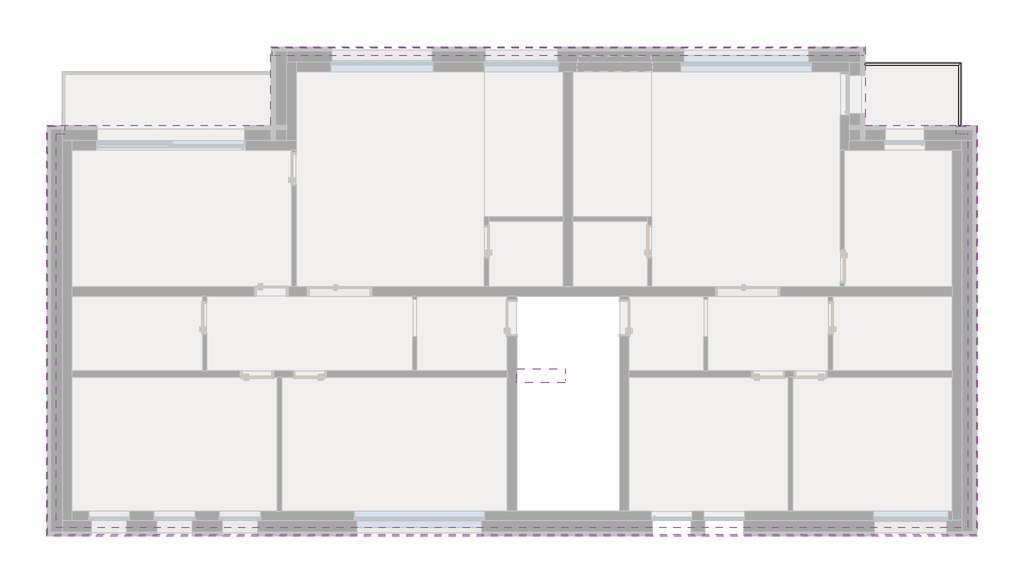
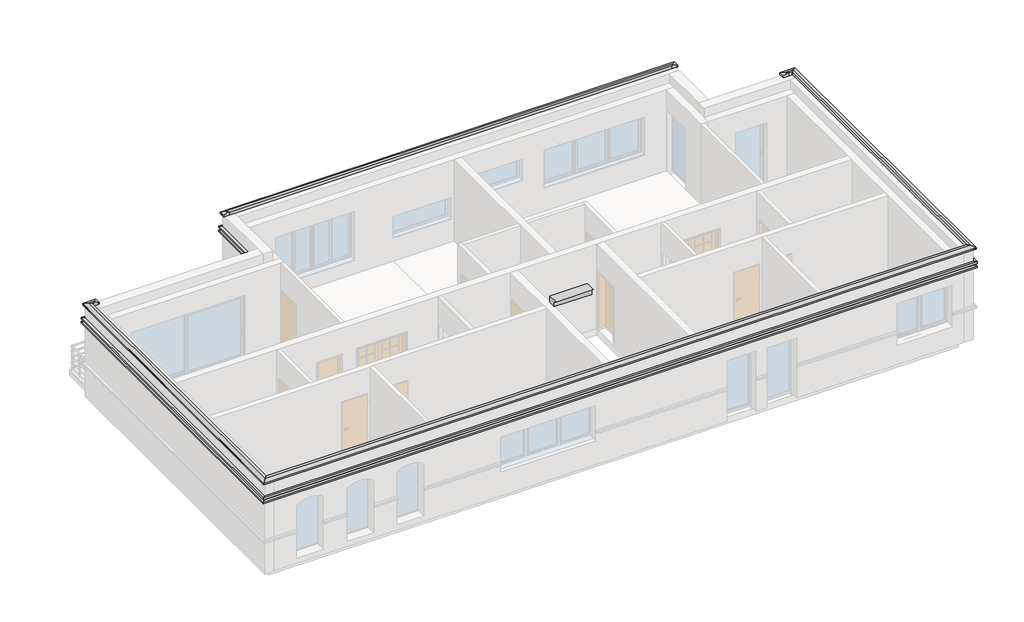
# One storey, part 4 of 4: 4 proxies, 1 railing, 1 stair.
"""IFC4 building model written with IfcOpenShell, lengths in millimetres."""

import ifcopenshell
import ifcopenshell.guid

model = None  # the IFC model being written
_history = None  # IfcOwnerHistory: only IFC2X3 demands one
_inside = {}  # id of a spatial element -> (the spatial element, [elements in it])
_under = {}  # id of a project, library or spatial element -> (it, [spatial elements below it])
_declared = {}  # id of a project -> (the project, [libraries it declares])
_typed = {}  # id of a type object -> (the type object, [elements of that type])
_made_of = {}  # id of a material, layer set ... -> (it, [elements and type objects made of it])


def new_model(schema):
    """Start an empty IFC model of exactly this schema.

    Asked for "IFC4X3", IfcOpenShell would pick the latest addendum, in which some entities
    have other attributes; the version numbers below select the first issue.
    IFC2X3 requires an IfcOwnerHistory on every rooted entity: one is made here for all.
    """
    global model, _history
    if schema == "IFC4X3":
        model = ifcopenshell.file(schema_version=(4, 3, 0, 0))
    else:
        model = ifcopenshell.file(schema=schema)
    _inside.clear()
    _under.clear()
    _declared.clear()
    _typed.clear()
    _made_of.clear()
    _history = None
    if model.schema == "IFC2X3":
        org = make("IfcOrganization", Name="unknown")
        user = make(
            "IfcPersonAndOrganization",
            ThePerson=make("IfcPerson", FamilyName="unknown"),
            TheOrganization=org,
        )
        app = make(
            "IfcApplication",
            ApplicationDeveloper=org,
            Version="unknown",
            ApplicationFullName="unknown",
            ApplicationIdentifier="unknown",
        )
        _history = make(
            "IfcOwnerHistory",
            OwningUser=user,
            OwningApplication=app,
            ChangeAction="ADDED",
            CreationDate=0,
        )
    return model


def make(cls, **values):
    """One entity of the class cls with the attributes given. An attribute that is None is left unset."""
    return model.create_entity(
        cls, **{name: value for name, value in values.items() if value is not None}
    )


def rooted(cls, **values):
    """An entity with a GlobalId (a new one), such as an element, a storey or a relation."""
    return make(cls, GlobalId=ifcopenshell.guid.new(), OwnerHistory=_history, **values)


def si_unit(unit_type, name, prefix=None):
    """IfcSIUnit, for example si_unit("LENGTHUNIT", "METRE", prefix="MILLI")."""
    return make("IfcSIUnit", UnitType=unit_type, Prefix=prefix, Name=name)


def assignment(units):
    """IfcUnitAssignment: the units of a project."""
    return None if units is None else make("IfcUnitAssignment", Units=units)


def point(xyz):
    """IfcCartesianPoint."""
    return None if xyz is None else make("IfcCartesianPoint", Coordinates=xyz)


def direction(xyz):
    """IfcDirection."""
    return None if xyz is None else make("IfcDirection", DirectionRatios=xyz)


def frame(location, z_axis=None, x_axis=None):
    """IfcAxis2Placement3D, a coordinate frame: its origin and axes. An axis left out is left unset."""
    return make(
        "IfcAxis2Placement3D",
        Location=point(location),
        Axis=direction(z_axis),
        RefDirection=direction(x_axis),
    )


def origin():
    """The frame at (0, 0, 0) with its axes left unset."""
    return frame((0.0, 0.0, 0.0))


def place(relative_to, where):
    """IfcLocalPlacement: puts the frame where relative to a parent placement (None: the world)."""
    return make(
        "IfcLocalPlacement", PlacementRelTo=relative_to, RelativePlacement=where
    )


def context(
    kind, dimensions, precision=None, world=None, true_north=None, identifier=None
):
    """IfcGeometricRepresentationContext, for example the 3D "Model" context."""
    return make(
        "IfcGeometricRepresentationContext",
        ContextIdentifier=identifier,
        ContextType=kind,
        CoordinateSpaceDimension=dimensions,
        Precision=precision,
        WorldCoordinateSystem=world,
        TrueNorth=true_north,
    )


def project(units=None, contexts=None):
    """IfcProject with its units and contexts."""
    return rooted(
        "IfcProject",
        Name="project",
        RepresentationContexts=contexts,
        UnitsInContext=assignment(units),
    )


def spatial(cls, under=None, at=None, **own):
    """A site, building, storey or space (cls), placed at a placement, below another one or the project."""
    s = rooted(cls, ObjectPlacement=at, **own)
    if under is not None:
        _under.setdefault(under.id(), (under, []))[1].append(s)
    return s


def polyline(points):
    """IfcPolyline through the points."""
    return make("IfcPolyline", Points=[point(p) for p in points])


def circle_curve(where, radius):
    """IfcCircle in the frame where."""
    return make("IfcCircle", Position=where, Radius=radius)


def ellipse_curve(where, semi_axis1, semi_axis2):
    """IfcEllipse in the frame where."""
    return make(
        "IfcEllipse", Position=where, SemiAxis1=semi_axis1, SemiAxis2=semi_axis2
    )


def outline(outer, holes=None, kind="AREA"):
    """IfcArbitraryClosedProfileDef: a profile drawn as a closed curve; with holes, ...WithVoids."""
    if holes is None:
        return make("IfcArbitraryClosedProfileDef", ProfileType=kind, OuterCurve=outer)
    return make(
        "IfcArbitraryProfileDefWithVoids",
        ProfileType=kind,
        OuterCurve=outer,
        InnerCurves=holes,
    )


def extrude(swept, where, along, depth):
    """IfcExtrudedAreaSolid: the profile swept, set in the frame where, extruded along a direction by depth."""
    return make(
        "IfcExtrudedAreaSolid",
        SweptArea=swept,
        Position=where,
        ExtrudedDirection=direction(along),
        Depth=depth,
    )


def faces_of(points, faces, orient=None, outer=None):
    """IfcFace entities. A face is a list of loops; a loop is a list of indices into points, from 0.

    orient and outer hold one flag for each loop. By default every Orientation is true, the
    first loop of a face is its IfcFaceOuterBound and the others are IfcFaceBound.
    """
    made = []
    for i, loops in enumerate(faces):
        bounds = []
        for j, loop in enumerate(loops):
            is_outer = j == 0 if outer is None else outer[i][j]
            bounds.append(
                make(
                    "IfcFaceOuterBound" if is_outer else "IfcFaceBound",
                    Bound=make("IfcPolyLoop", Polygon=[points[k] for k in loop]),
                    Orientation=True if orient is None else orient[i][j],
                )
            )
        made.append(make("IfcFace", Bounds=bounds))
    return made


def faceted_brep(points, faces, orient=None, outer=None, voids=None):
    """IfcFacetedBrep: a solid bounded by flat faces; with voids (closed shells), ...WithVoids."""
    shared = [point(p) for p in points]
    hull = make("IfcClosedShell", CfsFaces=faces_of(shared, faces, orient, outer))
    if voids is None:
        return make("IfcFacetedBrep", Outer=hull)
    return make(
        "IfcFacetedBrepWithVoids",
        Outer=hull,
        Voids=[
            make(cls, CfsFaces=faces_of(shared, fs, o, b)) for cls, fs, o, b in voids
        ],
    )


def shape(context_of_items, identifier, shape_type, items):
    """IfcShapeRepresentation: the items that make up one representation, for example the "Body"."""
    return make(
        "IfcShapeRepresentation",
        ContextOfItems=context_of_items,
        RepresentationIdentifier=identifier,
        RepresentationType=shape_type,
        Items=items,
    )


def source(mapping_origin, context_of_items, identifier, shape_type, items):
    """IfcRepresentationMap: a shape defined once, which mapped items show again and again."""
    return make(
        "IfcRepresentationMap",
        MappingOrigin=mapping_origin,
        MappedRepresentation=shape(context_of_items, identifier, shape_type, items),
    )


def transform(
    local_origin,
    x_axis=None,
    y_axis=None,
    z_axis=None,
    scale=None,
    scale2=None,
    scale3=None,
    uniform=True,
):
    """IfcCartesianTransformationOperator3D, or its non-uniform kind. x_axis, y_axis, z_axis: its Axis1, 2, 3."""
    if uniform:
        return make(
            "IfcCartesianTransformationOperator3D",
            Axis1=direction(x_axis),
            Axis2=direction(y_axis),
            LocalOrigin=point(local_origin),
            Scale=scale,
            Axis3=direction(z_axis),
        )
    return make(
        "IfcCartesianTransformationOperator3DnonUniform",
        Axis1=direction(x_axis),
        Axis2=direction(y_axis),
        LocalOrigin=point(local_origin),
        Scale=scale,
        Axis3=direction(z_axis),
        Scale2=scale2,
        Scale3=scale3,
    )


def mapped(mapping_source, mapping_target):
    """IfcMappedItem: shows the shape of a source again, moved by a transform."""
    return make(
        "IfcMappedItem", MappingSource=mapping_source, MappingTarget=mapping_target
    )


def made_of(thing, what):
    """Note that an element or type object is made of a material, layer set ...; save() writes the relation."""
    if what is not None:
        _made_of.setdefault(what.id(), (what, []))[1].append(thing)
    return thing


def element(
    cls,
    number,
    at=None,
    inside=None,
    cuts=None,
    type_object=None,
    material=None,
    context=None,
    identifier="Body",
    shape_type=None,
    held_by="IfcProductDefinitionShape",
    body=None,
    shapes=None,
    **own,
):
    """One element of the class cls, such as IfcWall. Its Tag is "e" and its number.

    at: its placement. inside: the storey or other place that contains it. cuts: it is an
    opening in that element (IfcRelVoidsElement). A single representation is given by context,
    identifier, shape_type and body (its items); several are given by shapes. held_by: the class
    of the entity that holds the representations. save() writes the other relations.
    """
    e = rooted(cls, Tag="e%d" % number, ObjectPlacement=at, **own)
    if body is not None:
        shapes = [shape(context, identifier, shape_type, body)]
    if shapes is not None:
        e.Representation = make(held_by, Representations=shapes)
    if inside is not None:
        _inside.setdefault(inside.id(), (inside, []))[1].append(e)
    if cuts is not None:
        rooted(
            "IfcRelVoidsElement", RelatingBuildingElement=cuts, RelatedOpeningElement=e
        )
    if type_object is not None:
        _typed.setdefault(type_object.id(), (type_object, []))[1].append(e)
    return made_of(e, material)


def aggregate(whole, parts):
    """IfcRelAggregates: a whole, such as a stair, and the parts it consists of."""
    return rooted("IfcRelAggregates", RelatingObject=whole, RelatedObjects=parts)


def save(model, path):
    """Write the relations noted so far, then the file.

    IfcRelAggregates (storeys below a building ...), IfcRelContainedInSpatialStructure (elements
    in a storey), IfcRelDefinesByType, IfcRelAssociatesMaterial and IfcRelDeclares: one each for
    every whole, place, type object, material and project.
    """
    for whole, parts in _under.values():
        aggregate(whole, parts)
    for where, things in _inside.values():
        rooted(
            "IfcRelContainedInSpatialStructure",
            RelatedElements=things,
            RelatingStructure=where,
        )
    for kind, things in _typed.values():
        rooted("IfcRelDefinesByType", RelatedObjects=things, RelatingType=kind)
    for what, things in _made_of.values():
        rooted("IfcRelAssociatesMaterial", RelatedObjects=things, RelatingMaterial=what)
    for by, libraries in _declared.values():
        rooted("IfcRelDeclares", RelatingContext=by, RelatedDefinitions=libraries)
    model.write(path)


def plane_surface(at):
    """IfcPlane: the flat surface through the origin of the frame at, square to its z axis."""
    return make("IfcPlane", Position=at)


def revolved_surface(curve, axis_point, axis_direction):
    """IfcSurfaceOfRevolution: the curve turned about the line through axis_point along axis_direction."""
    return make(
        "IfcSurfaceOfRevolution",
        SweptCurve=make("IfcArbitraryOpenProfileDef", ProfileType="CURVE", Curve=curve),
        AxisPosition=make("IfcAxis1Placement", Location=point(axis_point), Axis=direction(axis_direction)),
    )


def advanced_brep(points, edges, surfaces, faces):
    """IfcAdvancedBrep: a solid bounded by faces that lie on surfaces and meet in shared edges.

    An edge is (start, end): straight between two places in points (the first is 0);
    or (start, end, curve); or (start, end, curve, False) where it runs against its curve.
    A face is (place in surfaces, loops), or (place, loops, False) where it looks against
    its surface's normal. A loop lists edges by number (the first is 1), with a minus sign
    where the edge is run from its end to its start. The first loop is the outer one.
    """
    corners = [point(p) for p in points]
    vertices = [make("IfcVertexPoint", VertexGeometry=c) for c in corners]
    made = []
    for start, end, *more in edges:
        made.append(
            make(
                "IfcEdgeCurve",
                EdgeStart=vertices[start],
                EdgeEnd=vertices[end],
                EdgeGeometry=more[0] if more else make("IfcPolyline", Points=[corners[start], corners[end]]),
                SameSense=more[1] if len(more) > 1 else True,
            )
        )
    hull = []
    for where, loops, *sense in faces:
        bounds = []
        for j, loop in enumerate(loops):
            ring = [make("IfcOrientedEdge", EdgeElement=made[abs(k) - 1], Orientation=k > 0) for k in loop]
            bounds.append(
                make(
                    "IfcFaceOuterBound" if j == 0 else "IfcFaceBound",
                    Bound=make("IfcEdgeLoop", EdgeList=ring),
                    Orientation=True,
                )
            )
        hull.append(make("IfcAdvancedFace", Bounds=bounds, FaceSurface=surfaces[where], SameSense=sense[0] if sense else True))
    return make("IfcAdvancedBrep", Outer=make("IfcClosedShell", CfsFaces=hull))


def stair_deb9e02e(model_context):
    return source(origin(), model_context, "Body", "SweptSolid", [
        extrude(outline(polyline([(-3451.5765383, 9878.6039913), (-3550.5432389, 9940.0), (-3182.9760521, 9940.0), (-3182.9760521, 9700.0), (-3451.5765383, 9700.0), (-3451.5765383, 9878.6039913)])), frame((1286.8631266, 0.0, 0.0), z_axis=(1.0, 0.0, 0.0), x_axis=(0.0, 1.0, 0.0)), (0.0, 0.0, 1.0), 1300.0),
    ])


model = new_model("IFC4")

# Units and contexts
model_context = context("Model", 3, world=origin())
ifc_project = project(units=[si_unit("LENGTHUNIT", "METRE", prefix="MILLI")], contexts=[model_context])

# Site, building, storey
site = spatial("IfcSite", under=ifc_project)
building = spatial("IfcBuilding", under=site)
storey = spatial("IfcBuildingStorey", under=building, Elevation=6700.0)

# Proxies
placement = place(None, origin())
element("IfcBuildingElementProxy", 1, Name="Wall Sweeps", at=placement, inside=storey, context=model_context, shape_type="SweptSolid", body=[
    extrude(outline(polyline([(13516.8631266, -7562.9760521), (13608.9381266, -7655.0510521), (-11285.2118734, -7655.0510521), (-11193.1368734, -7562.9760521), (13516.8631266, -7562.9760521)])), frame((0.0, 0.0, 9375.0), z_axis=(0.0, 0.0, 1.0), x_axis=(1.0, 0.0, 0.0)), (0.0, 0.0, 1.0), 67.7333333),
    extrude(outline(polyline([(-11193.1368734, -7562.9760521), (-11285.2118734, -7655.0510521), (-11285.2118734, 3339.0989479), (-11193.1368734, 3247.0239479), (-11193.1368734, -7562.9760521)])), frame((0.0, 0.0, 9375.0), z_axis=(0.0, 0.0, 1.0), x_axis=(1.0, 0.0, 0.0)), (0.0, 0.0, 1.0), 67.7333333),
    extrude(outline(polyline([(-11193.1368734, 3247.0239479), (-11285.2118734, 3339.0989479), (-4863.1368734, 3339.0989479), (-4863.1368734, 3247.0239479), (-11193.1368734, 3247.0239479)])), frame((0.0, 0.0, 9375.0), z_axis=(0.0, 0.0, 1.0), x_axis=(1.0, 0.0, 0.0)), (0.0, 0.0, 1.0), 67.7333333),
    extrude(outline(polyline([(-5193.1368734, 2917.0239479), (-5285.2118734, 2917.0239479), (-5285.2118734, 5439.0989479), (-5193.1368734, 5347.0239479), (-5193.1368734, 2917.0239479)])), frame((0.0, 0.0, 9375.0), z_axis=(0.0, 0.0, 1.0), x_axis=(1.0, 0.0, 0.0)), (0.0, 0.0, 1.0), 67.7333333),
    extrude(outline(polyline([(-5193.1368734, 5347.0239479), (-5285.2118734, 5439.0989479), (10608.9381266, 5439.0989479), (10516.8631266, 5347.0239479), (-5193.1368734, 5347.0239479)])), frame((0.0, 0.0, 9375.0), z_axis=(0.0, 0.0, 1.0), x_axis=(1.0, 0.0, 0.0)), (0.0, 0.0, 1.0), 67.7333333),
    extrude(outline(polyline([(10516.8631266, 5347.0239479), (10608.9381266, 5439.0989479), (10608.9381266, 2917.0239479), (10516.8631266, 2917.0239479), (10516.8631266, 5347.0239479)])), frame((0.0, 0.0, 9375.0), z_axis=(0.0, 0.0, 1.0), x_axis=(1.0, 0.0, 0.0)), (0.0, 0.0, 1.0), 67.7333333),
    extrude(outline(polyline([(10186.8631266, 3247.0239479), (10186.8631266, 3339.0989479), (13608.9381266, 3339.0989479), (13516.8631266, 3247.0239479), (10186.8631266, 3247.0239479)])), frame((0.0, 0.0, 9375.0), z_axis=(0.0, 0.0, 1.0), x_axis=(1.0, 0.0, 0.0)), (0.0, 0.0, 1.0), 67.7333333),
    extrude(outline(polyline([(13516.8631266, 3247.0239479), (13608.9381266, 3339.0989479), (13608.9381266, -7655.0510521), (13516.8631266, -7562.9760521), (13516.8631266, 3247.0239479)])), frame((0.0, 0.0, 9375.0), z_axis=(0.0, 0.0, 1.0), x_axis=(1.0, 0.0, 0.0)), (0.0, 0.0, 1.0), 67.7333333),
])
element("IfcBuildingElementProxy", 2, Name="Wall Sweeps", at=placement, inside=storey, context=model_context, shape_type="SweptSolid", body=[
    extrude(outline(polyline([(13516.8631266, -7562.9760521), (13608.9381266, -7655.0510521), (-11285.2118734, -7655.0510521), (-11193.1368734, -7562.9760521), (13516.8631266, -7562.9760521)])), frame((0.0, 0.0, 9525.0), z_axis=(0.0, 0.0, 1.0), x_axis=(1.0, 0.0, 0.0)), (0.0, 0.0, 1.0), 67.7333333),
    extrude(outline(polyline([(-11193.1368734, -7562.9760521), (-11285.2118734, -7655.0510521), (-11285.2118734, 3339.0989479), (-11193.1368734, 3247.0239479), (-11193.1368734, -7562.9760521)])), frame((0.0, 0.0, 9525.0), z_axis=(0.0, 0.0, 1.0), x_axis=(1.0, 0.0, 0.0)), (0.0, 0.0, 1.0), 67.7333333),
    extrude(outline(polyline([(-11193.1368734, 3247.0239479), (-11285.2118734, 3339.0989479), (-4863.1368734, 3339.0989479), (-4863.1368734, 3247.0239479), (-11193.1368734, 3247.0239479)])), frame((0.0, 0.0, 9525.0), z_axis=(0.0, 0.0, 1.0), x_axis=(1.0, 0.0, 0.0)), (0.0, 0.0, 1.0), 67.7333333),
    extrude(outline(polyline([(-5193.1368734, 2917.0239479), (-5285.2118734, 2917.0239479), (-5285.2118734, 5439.0989479), (-5193.1368734, 5347.0239479), (-5193.1368734, 2917.0239479)])), frame((0.0, 0.0, 9525.0), z_axis=(0.0, 0.0, 1.0), x_axis=(1.0, 0.0, 0.0)), (0.0, 0.0, 1.0), 67.7333333),
    extrude(outline(polyline([(-5193.1368734, 5347.0239479), (-5285.2118734, 5439.0989479), (10608.9381266, 5439.0989479), (10516.8631266, 5347.0239479), (-5193.1368734, 5347.0239479)])), frame((0.0, 0.0, 9525.0), z_axis=(0.0, 0.0, 1.0), x_axis=(1.0, 0.0, 0.0)), (0.0, 0.0, 1.0), 67.7333333),
    extrude(outline(polyline([(10516.8631266, 5347.0239479), (10608.9381266, 5439.0989479), (10608.9381266, 2917.0239479), (10516.8631266, 2917.0239479), (10516.8631266, 5347.0239479)])), frame((0.0, 0.0, 9525.0), z_axis=(0.0, 0.0, 1.0), x_axis=(1.0, 0.0, 0.0)), (0.0, 0.0, 1.0), 67.7333333),
    extrude(outline(polyline([(10186.8631266, 3247.0239479), (10186.8631266, 3339.0989479), (13608.9381266, 3339.0989479), (13516.8631266, 3247.0239479), (10186.8631266, 3247.0239479)])), frame((0.0, 0.0, 9525.0), z_axis=(0.0, 0.0, 1.0), x_axis=(1.0, 0.0, 0.0)), (0.0, 0.0, 1.0), 67.7333333),
    extrude(outline(polyline([(13516.8631266, 3247.0239479), (13608.9381266, 3339.0989479), (13608.9381266, -7655.0510521), (13516.8631266, -7562.9760521), (13516.8631266, 3247.0239479)])), frame((0.0, 0.0, 9525.0), z_axis=(0.0, 0.0, 1.0), x_axis=(1.0, 0.0, 0.0)), (0.0, 0.0, 1.0), 67.7333333),
])
element("IfcBuildingElementProxy", 3, Name="Parapet 1", ObjectType="Parapet 1", at=placement, inside=storey, context=model_context, shape_type="AdvancedBrep", body=[
    advanced_brep(
    [(13556.8631266, -7602.9760521, 10050.0), (13366.8631266, -7412.9760521, 10050.0), (13366.8631266, -7412.9760521, 10170.0), (13448.5933769, -7494.7063024, 10170.0), (13576.8631266, -7622.9760521, 10107.4386629), (13576.8631266, -7622.9760521, 10050.0), (13566.8631266, -7612.9760521, 10050.0), (-11233.1368734, -7602.9760521, 10050.0), (-11243.1368734, -7612.9760521, 10050.0), (-11253.1368734, -7622.9760521, 10050.0), (-11253.1368734, -7622.9760521, 10107.4386629), (-11124.8671237, -7494.7063024, 10170.0), (-11043.1368734, -7412.9760521, 10170.0), (-11043.1368734, -7412.9760521, 10050.0)],
    [
        (0, 1),
        (1, 2),
        (2, 3),
        (3, 4),
        (4, 5),
        (5, 6),
        (6, 0, ellipse_curve(frame((13561.8631266, -7607.9760521, 10050.0), z_axis=(-0.7071067811865493, -0.7071067811865458, 0.0), x_axis=(-0.7071067811865457, 0.7071067811865492, 0.0)), 7.0710678, 5.0)),
        (7, 8, ellipse_curve(frame((-11238.1368734, -7607.9760521, 10050.0), z_axis=(0.7071067811865476, -0.7071067811865476, 0.0), x_axis=(-0.7071067811865475, -0.7071067811865476, 0.0)), 7.0710678, 5.0)),
        (8, 9),
        (9, 10),
        (10, 11),
        (11, 12),
        (12, 13),
        (13, 7),
        (0, 7),
        (13, 1),
        (12, 2),
        (11, 3),
        (10, 4),
        (9, 5),
        (8, 6),
    ],
    [
        plane_surface(frame((13366.8631266, -7412.9760521, 10354.8), z_axis=(0.7071067811865493, 0.7071067811865458, 0.0), x_axis=(-0.7071067811865458, 0.7071067811865493, 0.0))),
        plane_surface(frame((-11043.1368734, -7412.9760521, 10354.8), z_axis=(-0.7071067811865476, 0.7071067811865476, 0.0), x_axis=(0.7071067811865476, 0.7071067811865476, 0.0))),
        plane_surface(frame((13556.8631266, -7602.9760521, 10050.0), z_axis=(0.0, 0.0, -1.0), x_axis=(-1.0, 0.0, 0.0))),
        plane_surface(frame((13366.8631266, -7412.9760521, 10050.0), z_axis=(0.0, 1.0, 0.0), x_axis=(-1.0, 0.0, 0.0))),
        plane_surface(frame((13366.8631266, -7412.9760521, 10170.0), z_axis=(0.0, 0.0, 1.0), x_axis=(-1.0, 0.0, 0.0))),
        plane_surface(frame((13448.5933769, -7494.7063024, 10170.0), z_axis=(0.0, -0.43837114678907824, 0.8987940462991666), x_axis=(-1.0, 0.0, 0.0))),
        plane_surface(frame((13576.8631266, -7622.9760521, 10107.4386629), z_axis=(0.0, -1.0, 0.0), x_axis=(-1.0, 0.0, 0.0))),
        plane_surface(frame((13576.8631266, -7622.9760521, 10050.0), z_axis=(0.0, 0.0, -1.0), x_axis=(-1.0, 0.0, 0.0))),
        revolved_surface(polyline([(-11243.1368734, -7602.9760521, 10050.0), (13566.8631266, -7602.9760521, 10050.0)]), (13366.8631266, -7607.9760521, 10050.0), (-1.0, 0.0, 0.0)),
    ],
    [
        (0, [[1, 2, 3, 4, 5, 6, 7]]),
        (1, [[8, 9, 10, 11, 12, 13, 14]]),
        (2, [[-1, 15, -14, 16]]),
        (3, [[-2, -16, -13, 17]]),
        (4, [[-3, -17, -12, 18]]),
        (5, [[-4, -18, -11, 19]]),
        (6, [[-5, -19, -10, 20]]),
        (7, [[-6, -20, -9, 21]]),
        (8, [[-7, -21, -8, -15]]),
    ],
),
    advanced_brep(
    [(-11233.1368734, -7602.9760521, 10050.0), (-11043.1368734, -7412.9760521, 10050.0), (-11043.1368734, -7412.9760521, 10170.0), (-11124.8671237, -7494.7063024, 10170.0), (-11253.1368734, -7622.9760521, 10107.4386629), (-11253.1368734, -7622.9760521, 10050.0), (-11243.1368734, -7612.9760521, 10050.0), (-11233.1368734, 3287.0239479, 10050.0), (-11243.1368734, 3297.0239479, 10050.0), (-11253.1368734, 3307.0239479, 10050.0), (-11253.1368734, 3307.0239479, 10107.4386629), (-11124.8671237, 3178.7541982, 10170.0), (-11043.1368734, 3097.0239479, 10170.0), (-11043.1368734, 3097.0239479, 10050.0)],
    [
        (0, 1),
        (1, 2),
        (2, 3),
        (3, 4),
        (4, 5),
        (5, 6),
        (6, 0, ellipse_curve(frame((-11238.1368734, -7607.9760521, 10050.0), z_axis=(-0.7071067811865476, 0.7071067811865476, 0.0), x_axis=(0.7071067811865476, 0.7071067811865475, 0.0)), 7.0710678, 5.0)),
        (7, 8, ellipse_curve(frame((-11238.1368734, 3292.0239479, 10050.0), z_axis=(-0.7071067811865493, -0.7071067811865458, 0.0), x_axis=(-0.7071067811865458, 0.7071067811865492, 0.0)), 7.0710678, 5.0)),
        (8, 9),
        (9, 10),
        (10, 11),
        (11, 12),
        (12, 13),
        (13, 7),
        (0, 7),
        (13, 1),
        (12, 2),
        (11, 3),
        (10, 4),
        (9, 5),
        (8, 6),
    ],
    [
        plane_surface(frame((-11043.1368734, -7412.9760521, 10354.8), z_axis=(0.7071067811865476, -0.7071067811865476, 0.0), x_axis=(0.7071067811865476, 0.7071067811865476, 0.0))),
        plane_surface(frame((-11043.1368734, 3097.0239479, 10354.8), z_axis=(0.7071067811865493, 0.7071067811865458, 0.0), x_axis=(0.7071067811865458, -0.7071067811865493, 0.0))),
        plane_surface(frame((-11233.1368734, -7602.9760521, 10050.0), z_axis=(0.0, 0.0, -1.0), x_axis=(0.0, 1.0, 0.0))),
        plane_surface(frame((-11043.1368734, -7412.9760521, 10050.0), z_axis=(1.0, 0.0, 0.0), x_axis=(0.0, 1.0, 0.0))),
        plane_surface(frame((-11043.1368734, -7412.9760521, 10170.0), z_axis=(0.0, 0.0, 1.0), x_axis=(0.0, 1.0, 0.0))),
        plane_surface(frame((-11124.8671237, -7494.7063024, 10170.0), z_axis=(-0.43837114678907824, 0.0, 0.8987940462991666), x_axis=(0.0, 1.0, 0.0))),
        plane_surface(frame((-11253.1368734, -7622.9760521, 10107.4386629), z_axis=(-1.0, 0.0, 0.0), x_axis=(0.0, 1.0, 0.0))),
        plane_surface(frame((-11253.1368734, -7622.9760521, 10050.0), z_axis=(0.0, 0.0, -1.0), x_axis=(0.0, 1.0, 0.0))),
        revolved_surface(polyline([(-11233.1368734, 3297.0239479, 10050.0), (-11233.1368734, -7612.9760521, 10050.0)]), (-11238.1368734, -7412.9760521, 10050.0), (0.0, 1.0, 0.0)),
    ],
    [
        (0, [[1, 2, 3, 4, 5, 6, 7]]),
        (1, [[8, 9, 10, 11, 12, 13, 14]]),
        (2, [[-1, 15, -14, 16]]),
        (3, [[-2, -16, -13, 17]]),
        (4, [[-3, -17, -12, 18]]),
        (5, [[-4, -18, -11, 19]]),
        (6, [[-5, -19, -10, 20]]),
        (7, [[-6, -20, -9, 21]]),
        (8, [[-7, -21, -8, -15]]),
    ],
),
    advanced_brep(
    [(13556.8631266, 3287.0239479, 10050.0), (13366.8631266, 3097.0239479, 10050.0), (13366.8631266, 3097.0239479, 10170.0), (13448.5933769, 3178.7541982, 10170.0), (13576.8631266, 3307.0239479, 10107.4386629), (13576.8631266, 3307.0239479, 10050.0), (13566.8631266, 3297.0239479, 10050.0), (13556.8631266, -7602.9760521, 10050.0), (13566.8631266, -7612.9760521, 10050.0), (13576.8631266, -7622.9760521, 10050.0), (13576.8631266, -7622.9760521, 10107.4386629), (13448.5933769, -7494.7063024, 10170.0), (13366.8631266, -7412.9760521, 10170.0), (13366.8631266, -7412.9760521, 10050.0)],
    [
        (0, 1),
        (1, 2),
        (2, 3),
        (3, 4),
        (4, 5),
        (5, 6),
        (6, 0, ellipse_curve(frame((13561.8631266, 3292.0239479, 10050.0), z_axis=(0.7071067811865476, -0.7071067811865476, 0.0), x_axis=(-0.7071067811865476, -0.7071067811865475, 0.0)), 7.0710678, 5.0)),
        (7, 8, ellipse_curve(frame((13561.8631266, -7607.9760521, 10050.0), z_axis=(0.7071067811865493, 0.7071067811865458, 0.0), x_axis=(0.7071067811865458, -0.7071067811865492, 0.0)), 7.0710678, 5.0)),
        (8, 9),
        (9, 10),
        (10, 11),
        (11, 12),
        (12, 13),
        (13, 7),
        (0, 7),
        (13, 1),
        (12, 2),
        (11, 3),
        (10, 4),
        (9, 5),
        (8, 6),
    ],
    [
        plane_surface(frame((13366.8631266, 3097.0239479, 10354.8), z_axis=(-0.7071067811865476, 0.7071067811865476, 0.0), x_axis=(-0.7071067811865476, -0.7071067811865476, 0.0))),
        plane_surface(frame((13366.8631266, -7412.9760521, 10354.8), z_axis=(-0.7071067811865493, -0.7071067811865458, 0.0), x_axis=(-0.7071067811865458, 0.7071067811865493, 0.0))),
        plane_surface(frame((13556.8631266, 3287.0239479, 10050.0), z_axis=(0.0, 0.0, -1.0), x_axis=(0.0, -1.0, 0.0))),
        plane_surface(frame((13366.8631266, 3097.0239479, 10050.0), z_axis=(-1.0, 0.0, 0.0), x_axis=(0.0, -1.0, 0.0))),
        plane_surface(frame((13366.8631266, 3097.0239479, 10170.0), z_axis=(0.0, 0.0, 1.0), x_axis=(0.0, -1.0, 0.0))),
        plane_surface(frame((13448.5933769, 3178.7541982, 10170.0), z_axis=(0.43837114678907824, 0.0, 0.8987940462991666), x_axis=(0.0, -1.0, 0.0))),
        plane_surface(frame((13576.8631266, 3307.0239479, 10107.4386629), z_axis=(1.0, 0.0, 0.0), x_axis=(0.0, -1.0, 0.0))),
        plane_surface(frame((13576.8631266, 3307.0239479, 10050.0), z_axis=(0.0, 0.0, -1.0), x_axis=(0.0, -1.0, 0.0))),
        revolved_surface(polyline([(13556.8631266, -7612.9760521, 10050.0), (13556.8631266, 3297.0239479, 10050.0)]), (13561.8631266, 3097.0239479, 10050.0), (0.0, -1.0, 0.0)),
    ],
    [
        (0, [[1, 2, 3, 4, 5, 6, 7]]),
        (1, [[8, 9, 10, 11, 12, 13, 14]]),
        (2, [[-1, 15, -14, 16]]),
        (3, [[-2, -16, -13, 17]]),
        (4, [[-3, -17, -12, 18]]),
        (5, [[-4, -18, -11, 19]]),
        (6, [[-5, -19, -10, 20]]),
        (7, [[-6, -20, -9, 21]]),
        (8, [[-7, -21, -8, -15]]),
    ],
),
    advanced_brep(
    [(13556.8631266, 3287.0239479, 10050.0), (13566.8631266, 3297.0239479, 10050.0), (13576.8631266, 3307.0239479, 10050.0), (13576.8631266, 3307.0239479, 10107.4386629), (13448.5933769, 3178.7541982, 10170.0), (13366.8631266, 3097.0239479, 10170.0), (13366.8631266, 3097.0239479, 10050.0), (13256.8631266, 3097.0239479, 10050.0), (13066.8631266, 3287.0239479, 10050.0), (13256.8631266, 3097.0239479, 10170.0), (13175.1328763, 3178.7541982, 10170.0), (13046.8631266, 3307.0239479, 10107.4386629), (13046.8631266, 3307.0239479, 10050.0), (13056.8631266, 3297.0239479, 10050.0), (13066.8631266, 3097.0239479, 10050.0), (13175.1328763, 3097.0239479, 10170.0), (13046.8631266, 3097.0239479, 10107.4386629), (13046.8631266, 3097.0239479, 10050.0), (13056.8631266, 3097.0239479, 10050.0)],
    [
        (0, 1, ellipse_curve(frame((13561.8631266, 3292.0239479, 10050.0), z_axis=(-0.7071067811865476, 0.7071067811865476, 0.0), x_axis=(0.7071067811865475, 0.7071067811865475, 0.0)), 7.0710678, 5.0)),
        (1, 2),
        (2, 3),
        (3, 4),
        (4, 5),
        (5, 6),
        (6, 0),
        (7, 8),
        (8, 0),
        (6, 7),
        (9, 7),
        (5, 9),
        (10, 9),
        (4, 10),
        (11, 10),
        (3, 11),
        (12, 11),
        (2, 12),
        (13, 12),
        (1, 13),
        (8, 13, ellipse_curve(frame((13061.8631266, 3292.0239479, 10050.0), z_axis=(-0.7071067811865487, -0.7071067811865464, 0.0), x_axis=(0.7071067811865464, -0.7071067811865487, 0.0)), 7.0710678, 5.0)),
        (14, 7),
        (9, 15),
        (15, 16),
        (16, 17),
        (17, 18),
        (18, 14, circle_curve(frame((13061.8631266, 3097.0239479, 10050.0), z_axis=(0.0, 1.0, 0.0), x_axis=(1.0, 0.0, 0.0)), 5.0)),
        (14, 8),
        (10, 15),
        (11, 16),
        (12, 17),
        (13, 18),
    ],
    [
        plane_surface(frame((13366.8631266, 3097.0239479, 10354.8), z_axis=(0.7071067811865476, -0.7071067811865476, 0.0), x_axis=(-0.7071067811865476, -0.7071067811865476, 0.0))),
        plane_surface(frame((13066.8631266, 3287.0239479, 10050.0), z_axis=(0.0, 0.0, -1.0), x_axis=(1.0, 0.0, 0.0))),
        plane_surface(frame((13256.8631266, 3097.0239479, 10050.0), z_axis=(0.0, -1.0, 0.0), x_axis=(1.0, 0.0, 0.0))),
        plane_surface(frame((13256.8631266, 3097.0239479, 10170.0), z_axis=(0.0, 0.0, 1.0), x_axis=(1.0, 0.0, 0.0))),
        plane_surface(frame((13175.1328763, 3178.7541982, 10170.0), z_axis=(0.0, 0.43837114678907824, 0.8987940462991666), x_axis=(1.0, 0.0, 0.0))),
        plane_surface(frame((13046.8631266, 3307.0239479, 10107.4386629), z_axis=(0.0, 1.0, 0.0), x_axis=(1.0, 0.0, 0.0))),
        plane_surface(frame((13046.8631266, 3307.0239479, 10050.0), z_axis=(0.0, 0.0, -1.0), x_axis=(1.0, 0.0, 0.0))),
        revolved_surface(polyline([(13566.8631266, 3287.0239479, 10050.0), (13056.8631266, 3287.0239479, 10050.0)]), (13256.8631266, 3292.0239479, 10050.0), (1.0, 0.0, 0.0)),
        plane_surface(frame((10186.8631266, 3097.0239479, 6700.0), z_axis=(0.0, -1.0, 0.0), x_axis=(-1.0, 0.0, 0.0))),
        plane_surface(frame((13066.8631266, 3097.0239479, 10050.0), z_axis=(0.0, 0.0, -1.0), x_axis=(0.0, 1.0, 0.0))),
        plane_surface(frame((13256.8631266, 3097.0239479, 10170.0), z_axis=(0.0, 0.0, 1.0), x_axis=(0.0, 1.0, 0.0))),
        plane_surface(frame((13175.1328763, 3097.0239479, 10170.0), z_axis=(-0.43837114678907824, 0.0, 0.8987940462991666), x_axis=(0.0, 1.0, 0.0))),
        plane_surface(frame((13046.8631266, 3097.0239479, 10107.4386629), z_axis=(-1.0, 0.0, 0.0), x_axis=(0.0, 1.0, 0.0))),
        plane_surface(frame((13046.8631266, 3097.0239479, 10050.0), z_axis=(0.0, 0.0, -1.0), x_axis=(0.0, 1.0, 0.0))),
        revolved_surface(polyline([(13066.8631266, 3297.0239479, 10050.0), (13066.8631266, 3097.0239479, 10050.0)]), (13061.8631266, 3097.0239479, 10050.0), (0.0, 1.0, 0.0)),
    ],
    [
        (0, [[1, 2, 3, 4, 5, 6, 7]]),
        (1, [[8, 9, -7, 10]]),
        (2, [[11, -10, -6, 12]]),
        (3, [[13, -12, -5, 14]]),
        (4, [[15, -14, -4, 16]]),
        (5, [[17, -16, -3, 18]]),
        (6, [[19, -18, -2, 20]]),
        (7, [[21, -20, -1, -9]]),
        (8, [[22, -11, 23, 24, 25, 26, 27]]),
        (9, [[-22, 28, -8]]),
        (10, [[-23, -13, 29]]),
        (11, [[-24, -29, -15, 30]]),
        (12, [[-25, -30, -17, 31]]),
        (13, [[-26, -31, -19, 32]]),
        (14, [[-27, -32, -21, -28]]),
    ],
),
    advanced_brep(
    [(-11233.1368734, 3287.0239479, 10050.0), (-11043.1368734, 3097.0239479, 10050.0), (-11043.1368734, 3097.0239479, 10170.0), (-11124.8671237, 3178.7541982, 10170.0), (-11253.1368734, 3307.0239479, 10107.4386629), (-11253.1368734, 3307.0239479, 10050.0), (-11243.1368734, 3297.0239479, 10050.0), (-10813.1368734, 3287.0239479, 10050.0), (-11003.1368734, 3097.0239479, 10050.0), (-11003.1368734, 3097.0239479, 10170.0), (-10921.4066231, 3178.7541982, 10170.0), (-10793.1368734, 3307.0239479, 10107.4386629), (-10793.1368734, 3307.0239479, 10050.0), (-10803.1368734, 3297.0239479, 10050.0), (-10813.1368734, 3097.0239479, 10050.0), (-10803.1368734, 3097.0239479, 10050.0), (-10793.1368734, 3097.0239479, 10050.0), (-10793.1368734, 3097.0239479, 10107.4386629), (-10921.4066231, 3097.0239479, 10170.0)],
    [
        (0, 1),
        (1, 2),
        (2, 3),
        (3, 4),
        (4, 5),
        (5, 6),
        (6, 0, ellipse_curve(frame((-11238.1368734, 3292.0239479, 10050.0), z_axis=(0.7071067811865493, 0.7071067811865458, 0.0), x_axis=(0.7071067811865457, -0.7071067811865492, 0.0)), 7.0710678, 5.0)),
        (0, 7),
        (7, 8),
        (8, 1),
        (8, 9),
        (9, 2),
        (9, 10),
        (10, 3),
        (10, 11),
        (11, 4),
        (11, 12),
        (12, 5),
        (12, 13),
        (13, 6),
        (13, 7, ellipse_curve(frame((-10808.1368734, 3292.0239479, 10050.0), z_axis=(0.7071067811865464, -0.7071067811865488, 0.0), x_axis=(0.7071067811865487, 0.7071067811865464, 0.0)), 7.0710678, 5.0)),
        (14, 15, circle_curve(frame((-10808.1368734, 3097.0239479, 10050.0), z_axis=(0.0, 1.0, 0.0), x_axis=(-1.0, 0.0, 0.0)), 5.0)),
        (15, 16),
        (16, 17),
        (17, 18),
        (18, 9),
        (8, 14),
        (7, 14),
        (18, 10),
        (17, 11),
        (16, 12),
        (15, 13),
    ],
    [
        plane_surface(frame((-11043.1368734, 3097.0239479, 10354.8), z_axis=(-0.7071067811865493, -0.7071067811865458, 0.0), x_axis=(0.7071067811865458, -0.7071067811865493, 0.0))),
        plane_surface(frame((-11233.1368734, 3287.0239479, 10050.0), z_axis=(0.0, 0.0, -1.0), x_axis=(1.0, 0.0, 0.0))),
        plane_surface(frame((-11043.1368734, 3097.0239479, 10050.0), z_axis=(0.0, -1.0, 0.0), x_axis=(1.0, 0.0, 0.0))),
        plane_surface(frame((-11043.1368734, 3097.0239479, 10170.0), z_axis=(0.0, 0.0, 1.0), x_axis=(1.0, 0.0, 0.0))),
        plane_surface(frame((-11124.8671237, 3178.7541982, 10170.0), z_axis=(0.0, 0.43837114678907824, 0.8987940462991666), x_axis=(1.0, 0.0, 0.0))),
        plane_surface(frame((-11253.1368734, 3307.0239479, 10107.4386629), z_axis=(0.0, 1.0, 0.0), x_axis=(1.0, 0.0, 0.0))),
        plane_surface(frame((-11253.1368734, 3307.0239479, 10050.0), z_axis=(0.0, 0.0, -1.0), x_axis=(1.0, 0.0, 0.0))),
        revolved_surface(polyline([(-10803.1368734, 3287.0239479, 10050.0), (-11243.1368734, 3287.0239479, 10050.0)]), (-11043.1368734, 3292.0239479, 10050.0), (1.0, 0.0, 0.0)),
        plane_surface(frame((-10863.1368734, 3097.0239479, 6700.0), z_axis=(0.0, -1.0, 0.0), x_axis=(-1.0, 0.0, 0.0))),
        plane_surface(frame((-10813.1368734, 3287.0239479, 10050.0), z_axis=(0.0, 0.0, -1.0), x_axis=(0.0, -1.0, 0.0))),
        plane_surface(frame((-11003.1368734, 3097.0239479, 10170.0), z_axis=(0.0, 0.0, 1.0), x_axis=(0.0, -1.0, 0.0))),
        plane_surface(frame((-10921.4066231, 3178.7541982, 10170.0), z_axis=(0.43837114678907824, 0.0, 0.8987940462991666), x_axis=(0.0, -1.0, 0.0))),
        plane_surface(frame((-10793.1368734, 3307.0239479, 10107.4386629), z_axis=(1.0, 0.0, 0.0), x_axis=(0.0, -1.0, 0.0))),
        plane_surface(frame((-10793.1368734, 3307.0239479, 10050.0), z_axis=(0.0, 0.0, -1.0), x_axis=(0.0, -1.0, 0.0))),
        revolved_surface(polyline([(-10813.1368734, 3097.0239479, 10050.0), (-10813.1368734, 3297.0239479, 10050.0)]), (-10808.1368734, 3097.0239479, 10050.0), (0.0, -1.0, 0.0)),
    ],
    [
        (0, [[1, 2, 3, 4, 5, 6, 7]]),
        (1, [[-1, 8, 9, 10]]),
        (2, [[-2, -10, 11, 12]]),
        (3, [[-3, -12, 13, 14]]),
        (4, [[-4, -14, 15, 16]]),
        (5, [[-5, -16, 17, 18]]),
        (6, [[-6, -18, 19, 20]]),
        (7, [[-7, -20, 21, -8]]),
        (8, [[22, 23, 24, 25, 26, -11, 27]]),
        (9, [[-9, 28, -27]]),
        (10, [[-13, -26, 29]]),
        (11, [[-15, -29, -25, 30]]),
        (12, [[-17, -30, -24, 31]]),
        (13, [[-19, -31, -23, 32]]),
        (14, [[-21, -32, -22, -28]]),
    ],
),
])
element("IfcBuildingElementProxy", 4, Name="Parapet 1", ObjectType="Parapet 1", at=placement, inside=storey, context=model_context, shape_type="AdvancedBrep", body=[
    advanced_brep(
    [(-5040.2868734, 5197.0239479, 10050.0), (-5230.2868734, 5387.0239479, 10050.0), (10554.0131266, 5387.0239479, 10050.0), (10364.0131266, 5197.0239479, 10050.0), (-5040.2868734, 5197.0239479, 10170.0), (10364.0131266, 5197.0239479, 10170.0), (-5122.0171237, 5278.7541982, 10170.0), (10445.7433769, 5278.7541982, 10170.0), (-5250.2868734, 5407.0239479, 10107.4386629), (10574.0131266, 5407.0239479, 10107.4386629), (-5250.2868734, 5407.0239479, 10050.0), (10574.0131266, 5407.0239479, 10050.0), (-5240.2868734, 5397.0239479, 10050.0), (10564.0131266, 5397.0239479, 10050.0), (10554.0131266, 5197.0239479, 10050.0), (10564.0131266, 5197.0239479, 10050.0), (10574.0131266, 5197.0239479, 10050.0), (10574.0131266, 5197.0239479, 10107.4386629), (10445.7433769, 5197.0239479, 10170.0), (-5230.2868734, 5197.0239479, 10050.0), (-5122.0171237, 5197.0239479, 10170.0), (-5250.2868734, 5197.0239479, 10107.4386629), (-5250.2868734, 5197.0239479, 10050.0), (-5240.2868734, 5197.0239479, 10050.0)],
    [
        (0, 1),
        (1, 2),
        (2, 3),
        (3, 0),
        (4, 0),
        (3, 5),
        (5, 4),
        (6, 4),
        (5, 7),
        (7, 6),
        (8, 6),
        (7, 9),
        (9, 8),
        (10, 8),
        (9, 11),
        (11, 10),
        (12, 10),
        (11, 13),
        (13, 12),
        (1, 12, ellipse_curve(frame((-5235.2868734, 5392.0239479, 10050.0), z_axis=(-0.7071067811865487, -0.7071067811865464, 0.0), x_axis=(0.7071067811865464, -0.7071067811865487, 0.0)), 7.0710678, 5.0)),
        (13, 2, ellipse_curve(frame((10559.0131266, 5392.0239479, 10050.0), z_axis=(0.7071067811865464, -0.7071067811865488, 0.0), x_axis=(0.7071067811865487, 0.7071067811865464, 0.0)), 7.0710678, 5.0)),
        (14, 15, circle_curve(frame((10559.0131266, 5197.0239479, 10050.0), z_axis=(0.0, 1.0, 0.0), x_axis=(-1.0, 0.0, 0.0)), 5.0)),
        (15, 16),
        (16, 17),
        (17, 18),
        (18, 5),
        (3, 14),
        (2, 14),
        (18, 7),
        (17, 9),
        (16, 11),
        (15, 13),
        (19, 0),
        (4, 20),
        (20, 21),
        (21, 22),
        (22, 23),
        (23, 19, circle_curve(frame((-5235.2868734, 5197.0239479, 10050.0), z_axis=(0.0, 1.0, 0.0), x_axis=(1.0, 0.0, 0.0)), 5.0)),
        (19, 1),
        (6, 20),
        (8, 21),
        (10, 22),
        (12, 23),
    ],
    [
        plane_surface(frame((-5230.2868734, 5387.0239479, 10050.0), z_axis=(0.0, 0.0, -1.0), x_axis=(1.0, 0.0, 0.0))),
        plane_surface(frame((-5040.2868734, 5197.0239479, 10050.0), z_axis=(0.0, -1.0, 0.0), x_axis=(1.0, 0.0, 0.0))),
        plane_surface(frame((-5040.2868734, 5197.0239479, 10170.0), z_axis=(0.0, 0.0, 1.0), x_axis=(1.0, 0.0, 0.0))),
        plane_surface(frame((-5122.0171237, 5278.7541982, 10170.0), z_axis=(0.0, 0.43837114678907824, 0.8987940462991666), x_axis=(1.0, 0.0, 0.0))),
        plane_surface(frame((-5250.2868734, 5407.0239479, 10107.4386629), z_axis=(0.0, 1.0, 0.0), x_axis=(1.0, 0.0, 0.0))),
        plane_surface(frame((-5250.2868734, 5407.0239479, 10050.0), z_axis=(0.0, 0.0, -1.0), x_axis=(1.0, 0.0, 0.0))),
        revolved_surface(polyline([(10564.0131266, 5387.0239479, 10050.0), (-5240.2868734, 5387.0239479, 10050.0)]), (-5040.2868734, 5392.0239479, 10050.0), (1.0, 0.0, 0.0)),
        plane_surface(frame((-4863.1368734, 5197.0239479, 6700.0), z_axis=(0.0, -1.0, 0.0), x_axis=(-1.0, 0.0, 0.0))),
        plane_surface(frame((10554.0131266, 5387.0239479, 10050.0), z_axis=(0.0, 0.0, -1.0), x_axis=(0.0, -1.0, 0.0))),
        plane_surface(frame((10364.0131266, 5197.0239479, 10170.0), z_axis=(0.0, 0.0, 1.0), x_axis=(0.0, -1.0, 0.0))),
        plane_surface(frame((10445.7433769, 5278.7541982, 10170.0), z_axis=(0.43837114678907824, 0.0, 0.8987940462991666), x_axis=(0.0, -1.0, 0.0))),
        plane_surface(frame((10574.0131266, 5407.0239479, 10107.4386629), z_axis=(1.0, 0.0, 0.0), x_axis=(0.0, -1.0, 0.0))),
        plane_surface(frame((10574.0131266, 5407.0239479, 10050.0), z_axis=(0.0, 0.0, -1.0), x_axis=(0.0, -1.0, 0.0))),
        revolved_surface(polyline([(10554.0131266, 5197.0239479, 10050.0), (10554.0131266, 5397.0239479, 10050.0)]), (10559.0131266, 5197.0239479, 10050.0), (0.0, -1.0, 0.0)),
        plane_surface(frame((-5230.2868734, 5197.0239479, 10050.0), z_axis=(0.0, 0.0, -1.0), x_axis=(0.0, 1.0, 0.0))),
        plane_surface(frame((-5040.2868734, 5197.0239479, 10170.0), z_axis=(0.0, 0.0, 1.0), x_axis=(0.0, 1.0, 0.0))),
        plane_surface(frame((-5122.0171237, 5197.0239479, 10170.0), z_axis=(-0.43837114678907824, 0.0, 0.8987940462991666), x_axis=(0.0, 1.0, 0.0))),
        plane_surface(frame((-5250.2868734, 5197.0239479, 10107.4386629), z_axis=(-1.0, 0.0, 0.0), x_axis=(0.0, 1.0, 0.0))),
        plane_surface(frame((-5250.2868734, 5197.0239479, 10050.0), z_axis=(0.0, 0.0, -1.0), x_axis=(0.0, 1.0, 0.0))),
        revolved_surface(polyline([(-5230.2868734, 5397.0239479, 10050.0), (-5230.2868734, 5197.0239479, 10050.0)]), (-5235.2868734, 5197.0239479, 10050.0), (0.0, 1.0, 0.0)),
    ],
    [
        (0, [[1, 2, 3, 4]]),
        (1, [[5, -4, 6, 7]]),
        (2, [[8, -7, 9, 10]]),
        (3, [[11, -10, 12, 13]]),
        (4, [[14, -13, 15, 16]]),
        (5, [[17, -16, 18, 19]]),
        (6, [[20, -19, 21, -2]]),
        (7, [[22, 23, 24, 25, 26, -6, 27]]),
        (8, [[-3, 28, -27]]),
        (9, [[-9, -26, 29]]),
        (10, [[-12, -29, -25, 30]]),
        (11, [[-15, -30, -24, 31]]),
        (12, [[-18, -31, -23, 32]]),
        (13, [[-21, -32, -22, -28]]),
        (7, [[33, -5, 34, 35, 36, 37, 38]]),
        (14, [[-33, 39, -1]]),
        (15, [[-34, -8, 40]]),
        (16, [[-35, -40, -11, 41]]),
        (17, [[-36, -41, -14, 42]]),
        (18, [[-37, -42, -17, 43]]),
        (19, [[-38, -43, -20, -39]]),
    ],
),
])

# Railing
element("IfcRailing", 5, ObjectType="1100mm", at=placement, inside=storey, context=model_context, shape_type="SolidModel", body=[
    faceted_brep([(13111.8631266, 3247.0239479, 7750.0), (13111.8631266, 3247.0239479, 7700.0), (13161.8631266, 3247.0239479, 7700.0), (13161.8631266, 3247.0239479, 7750.0), (13111.8631266, 4942.0239479, 7750.0), (13111.8631266, 4942.0239479, 7700.0), (13161.8631266, 4992.0239479, 7700.0), (13161.8631266, 4992.0239479, 7750.0), (10516.8631266, 4942.0239479, 7750.0), (10516.8631266, 4992.0239479, 7750.0), (10516.8631266, 4992.0239479, 7700.0), (10516.8631266, 4942.0239479, 7700.0)], [[[0, 1, 2, 3]], [[1, 0, 4, 5]], [[2, 1, 5, 6]], [[3, 2, 6, 7]], [[0, 3, 7, 4]], [[8, 9, 10, 11]], [[5, 4, 8, 11]], [[6, 5, 11, 10]], [[7, 6, 10, 9]], [[4, 7, 9, 8]]]),
    extrude(outline(polyline([(10674.3631266, 4979.5239479), (10674.3631266, 4954.5239479), (10649.3631266, 4954.5239479), (10649.3631266, 4979.5239479), (10674.3631266, 4979.5239479)])), frame((0.0, 0.0, 6650.0), z_axis=(0.0, 0.0, 1.0), x_axis=(1.0, 0.0, 0.0)), (0.0, 0.0, 1.0), 1050.0),
    extrude(outline(polyline([(10949.3631266, 4979.5239479), (10949.3631266, 4954.5239479), (10924.3631266, 4954.5239479), (10924.3631266, 4979.5239479), (10949.3631266, 4979.5239479)])), frame((0.0, 0.0, 6650.0), z_axis=(0.0, 0.0, 1.0), x_axis=(1.0, 0.0, 0.0)), (0.0, 0.0, 1.0), 1050.0),
    extrude(outline(polyline([(11224.3631266, 4979.5239479), (11224.3631266, 4954.5239479), (11199.3631266, 4954.5239479), (11199.3631266, 4979.5239479), (11224.3631266, 4979.5239479)])), frame((0.0, 0.0, 6650.0), z_axis=(0.0, 0.0, 1.0), x_axis=(1.0, 0.0, 0.0)), (0.0, 0.0, 1.0), 1050.0),
    extrude(outline(polyline([(11499.3631266, 4979.5239479), (11499.3631266, 4954.5239479), (11474.3631266, 4954.5239479), (11474.3631266, 4979.5239479), (11499.3631266, 4979.5239479)])), frame((0.0, 0.0, 6650.0), z_axis=(0.0, 0.0, 1.0), x_axis=(1.0, 0.0, 0.0)), (0.0, 0.0, 1.0), 1050.0),
    extrude(outline(polyline([(11774.3631266, 4979.5239479), (11774.3631266, 4954.5239479), (11749.3631266, 4954.5239479), (11749.3631266, 4979.5239479), (11774.3631266, 4979.5239479)])), frame((0.0, 0.0, 6650.0), z_axis=(0.0, 0.0, 1.0), x_axis=(1.0, 0.0, 0.0)), (0.0, 0.0, 1.0), 1050.0),
    extrude(outline(polyline([(12049.3631266, 4979.5239479), (12049.3631266, 4954.5239479), (12024.3631266, 4954.5239479), (12024.3631266, 4979.5239479), (12049.3631266, 4979.5239479)])), frame((0.0, 0.0, 6650.0), z_axis=(0.0, 0.0, 1.0), x_axis=(1.0, 0.0, 0.0)), (0.0, 0.0, 1.0), 1050.0),
    extrude(outline(polyline([(12324.3631266, 4979.5239479), (12324.3631266, 4954.5239479), (12299.3631266, 4954.5239479), (12299.3631266, 4979.5239479), (12324.3631266, 4979.5239479)])), frame((0.0, 0.0, 6650.0), z_axis=(0.0, 0.0, 1.0), x_axis=(1.0, 0.0, 0.0)), (0.0, 0.0, 1.0), 1050.0),
    extrude(outline(polyline([(12599.3631266, 4979.5239479), (12599.3631266, 4954.5239479), (12574.3631266, 4954.5239479), (12574.3631266, 4979.5239479), (12599.3631266, 4979.5239479)])), frame((0.0, 0.0, 6650.0), z_axis=(0.0, 0.0, 1.0), x_axis=(1.0, 0.0, 0.0)), (0.0, 0.0, 1.0), 1050.0),
    extrude(outline(polyline([(12874.3631266, 4979.5239479), (12874.3631266, 4954.5239479), (12849.3631266, 4954.5239479), (12849.3631266, 4979.5239479), (12874.3631266, 4979.5239479)])), frame((0.0, 0.0, 6650.0), z_axis=(0.0, 0.0, 1.0), x_axis=(1.0, 0.0, 0.0)), (0.0, 0.0, 1.0), 1050.0),
    extrude(outline(polyline([(13149.3631266, 4884.5239479), (13124.3631266, 4884.5239479), (13124.3631266, 4909.5239479), (13149.3631266, 4909.5239479), (13149.3631266, 4884.5239479)])), frame((0.0, 0.0, 6650.0), z_axis=(0.0, 0.0, 1.0), x_axis=(1.0, 0.0, 0.0)), (0.0, 0.0, 1.0), 1050.0),
    extrude(outline(polyline([(13149.3631266, 4609.5239479), (13124.3631266, 4609.5239479), (13124.3631266, 4634.5239479), (13149.3631266, 4634.5239479), (13149.3631266, 4609.5239479)])), frame((0.0, 0.0, 6650.0), z_axis=(0.0, 0.0, 1.0), x_axis=(1.0, 0.0, 0.0)), (0.0, 0.0, 1.0), 1050.0),
    extrude(outline(polyline([(13149.3631266, 4334.5239479), (13124.3631266, 4334.5239479), (13124.3631266, 4359.5239479), (13149.3631266, 4359.5239479), (13149.3631266, 4334.5239479)])), frame((0.0, 0.0, 6650.0), z_axis=(0.0, 0.0, 1.0), x_axis=(1.0, 0.0, 0.0)), (0.0, 0.0, 1.0), 1050.0),
    extrude(outline(polyline([(13149.3631266, 4059.5239479), (13124.3631266, 4059.5239479), (13124.3631266, 4084.5239479), (13149.3631266, 4084.5239479), (13149.3631266, 4059.5239479)])), frame((0.0, 0.0, 6650.0), z_axis=(0.0, 0.0, 1.0), x_axis=(1.0, 0.0, 0.0)), (0.0, 0.0, 1.0), 1050.0),
    extrude(outline(polyline([(13149.3631266, 3784.5239479), (13124.3631266, 3784.5239479), (13124.3631266, 3809.5239479), (13149.3631266, 3809.5239479), (13149.3631266, 3784.5239479)])), frame((0.0, 0.0, 6650.0), z_axis=(0.0, 0.0, 1.0), x_axis=(1.0, 0.0, 0.0)), (0.0, 0.0, 1.0), 1050.0),
    extrude(outline(polyline([(13149.3631266, 3509.5239479), (13124.3631266, 3509.5239479), (13124.3631266, 3534.5239479), (13149.3631266, 3534.5239479), (13149.3631266, 3509.5239479)])), frame((0.0, 0.0, 6650.0), z_axis=(0.0, 0.0, 1.0), x_axis=(1.0, 0.0, 0.0)), (0.0, 0.0, 1.0), 1050.0),
    extrude(outline(polyline([(13149.3631266, 4954.5239479), (13124.3631266, 4954.5239479), (13124.3631266, 4979.5239479), (13149.3631266, 4979.5239479), (13149.3631266, 4954.5239479)])), frame((0.0, 0.0, 6650.0), z_axis=(0.0, 0.0, 1.0), x_axis=(1.0, 0.0, 0.0)), (0.0, 0.0, 1.0), 1050.0),
    extrude(outline(polyline([(10541.8631266, 4979.5239479), (10541.8631266, 4954.5239479), (10516.8631266, 4954.5239479), (10516.8631266, 4979.5239479), (10541.8631266, 4979.5239479)])), frame((0.0, 0.0, 6650.0), z_axis=(0.0, 0.0, 1.0), x_axis=(1.0, 0.0, 0.0)), (0.0, 0.0, 1.0), 1050.0),
    extrude(outline(polyline([(13149.3631266, 3247.0239479), (13124.3631266, 3247.0239479), (13124.3631266, 3272.0239479), (13149.3631266, 3272.0239479), (13149.3631266, 3247.0239479)])), frame((0.0, 0.0, 6650.0), z_axis=(0.0, 0.0, 1.0), x_axis=(1.0, 0.0, 0.0)), (0.0, 0.0, 1.0), 1050.0),
])

# Stair
stair_shape = stair_deb9e02e(model_context)
element("IfcStair", 6, at=placement, inside=storey, context=model_context, shape_type="MappedRepresentation", body=[
    mapped(stair_shape, transform((0.0, 0.0, 0.0), x_axis=(1.0, 0.0, 0.0), y_axis=(0.0, 1.0, 0.0), z_axis=(0.0, 0.0, 1.0))),
])

save(model, "model.ifc")
